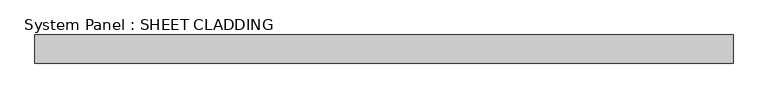
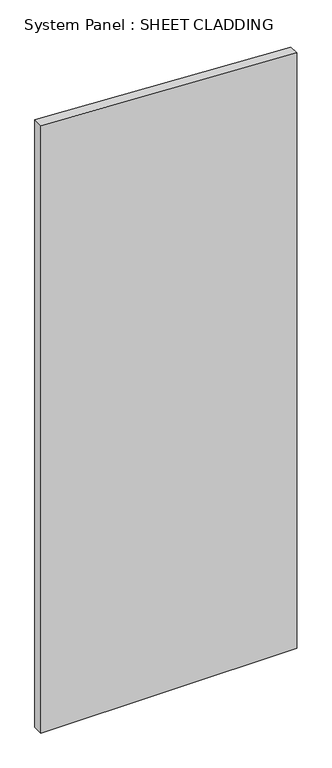
"""IFC4 building model written with IfcOpenShell, lengths in millimetres: plate geometry, System Panel : SHEET CLADDING."""

from ifc_helpers import new_model, si_unit, frame, origin, place, context, project, spatial, polyline, outline, extrude, source, transform, mapped, element, save


def system_panel_sheet_cladding_e43af7ba(model_context):
    return source(origin(), model_context, "Body", "SweptSolid", [
        extrude(outline(polyline([(0.0, -735.4591837), (0.0, 735.4591837), (3619.7173469, 735.4591837), (3693.2632653, -735.4591837), (0.0, -735.4591837)])), frame((0.0, -10.5, 0.0), z_axis=(0.0, 1.0, 0.0), x_axis=(0.0, 0.0, 1.0)), (0.0, 0.0, 1.0), 60.0),
    ])


if __name__ == "__main__":
    model = new_model("IFC4")
    model_context = context("Model", 3, world=origin())
    ifc_project = project(units=[si_unit("LENGTHUNIT", "METRE", prefix="MILLI")], contexts=[model_context])
    site = spatial("IfcSite", under=ifc_project)
    building = spatial("IfcBuilding", under=site)
    placement = place(None, origin())
    system_panel_sheet_cladding_shape = system_panel_sheet_cladding_e43af7ba(model_context)
    element("IfcPlate", 1, ObjectType="System Panel : SHEET CLADDING", at=placement, inside=building, context=model_context, shape_type="MappedRepresentation", body=[
        mapped(system_panel_sheet_cladding_shape, transform((0.0, 0.0, 0.0), x_axis=(1.0, 0.0, 0.0), y_axis=(0.0, 1.0, 0.0), z_axis=(0.0, 0.0, 1.0))),
    ])
    save(model, "model.ifc")
